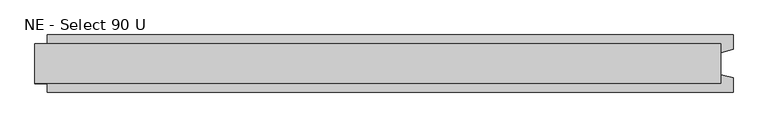
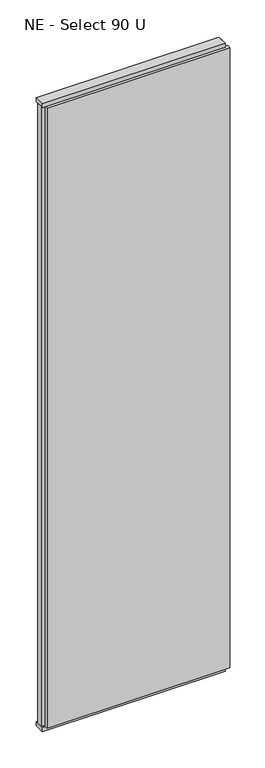
"""IFC4 building model written with IfcOpenShell, lengths in millimetres: plate geometry, NE - Select 90 U."""

from ifc_helpers import new_model, si_unit, frame, origin, origin_with_axes, place, context, project, spatial, polyline, outline, extrude, source, transform, mapped, element, save


def ne_select_90_u_adc1f364(model_context):
    return source(origin(), model_context, "Body", "SweptSolid", [
        extrude(outline(polyline([(570.5, 46.0), (570.5, 22.9993165), (550.5, 17.6401049), (550.5, -17.6401049), (570.5, -22.9993165), (570.5, -46.0), (-530.5, -46.0), (-530.5, -22.9993165), (-550.5, -17.6401049), (-550.5, 17.6401049), (-530.5, 22.9993165), (-530.5, 46.0), (570.5, 46.0)])), frame((0.0, 0.0, 25.0), z_axis=(0.0, 0.0, 1.0), x_axis=(1.0, 0.0, 0.0)), (0.0, 0.0, 1.0), 3950.0),
        extrude(outline(polyline([(550.5, 32.0), (550.5, -32.0), (-550.5, -32.0), (-550.5, 32.0), (550.5, 32.0)])), origin_with_axes(), (0.0, 0.0, 1.0), 25.0),
        extrude(outline(polyline([(550.5, 32.0), (550.5, -32.0), (-550.5, -32.0), (-550.5, 32.0), (550.5, 32.0)])), frame((0.0, 0.0, 3975.0), z_axis=(0.0, 0.0, 1.0), x_axis=(1.0, 0.0, 0.0)), (0.0, 0.0, 1.0), 25.0),
    ])


if __name__ == "__main__":
    model = new_model("IFC4")
    model_context = context("Model", 3, world=origin())
    ifc_project = project(units=[si_unit("LENGTHUNIT", "METRE", prefix="MILLI")], contexts=[model_context])
    site = spatial("IfcSite", under=ifc_project)
    building = spatial("IfcBuilding", under=site)
    placement = place(None, origin())
    ne_select_90_u_shape = ne_select_90_u_adc1f364(model_context)
    element("IfcPlate", 1, ObjectType="NE - Select 90 U", at=placement, inside=building, context=model_context, shape_type="MappedRepresentation", body=[
        mapped(ne_select_90_u_shape, transform((0.0, 0.0, 0.0), x_axis=(1.0, 0.0, 0.0), y_axis=(0.0, 1.0, 0.0), z_axis=(0.0, 0.0, 1.0))),
    ])
    save(model, "model.ifc")
